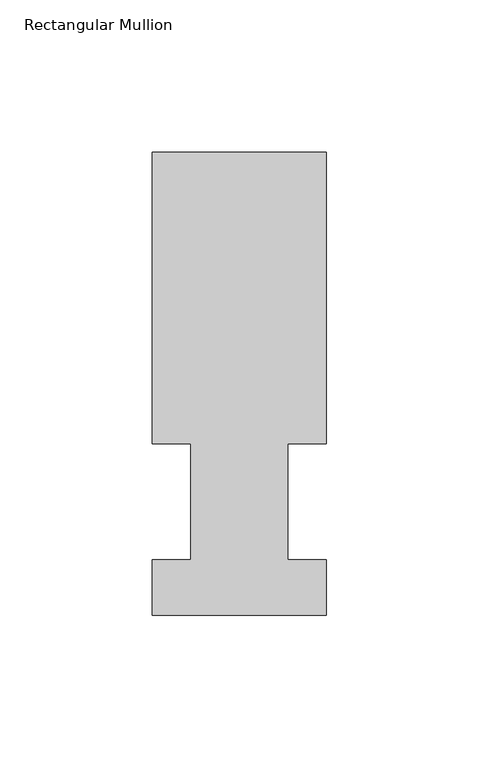
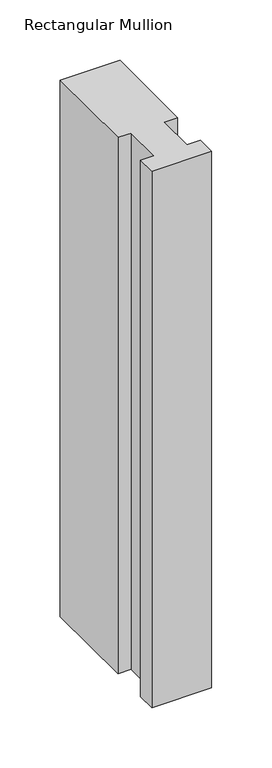
"""IFC4 building model written with IfcOpenShell, lengths in millimetres: member geometry, Rectangular Mullion."""

from ifc_helpers import new_model, si_unit, frame, origin, place, context, project, spatial, polyline, outline, extrude, source, transform, mapped, element, save


def rectangular_mullion_62a90301(model_context):
    return source(origin(), model_context, "Body", "SweptSolid", [
        extrude(outline(polyline([(0.0, 151.98725), (0.0, 56.35625), (-12.7, 56.35625), (-12.7, 18.25625), (0.0, 18.25625), (0.0, -0.03175), (-57.15, -0.03175), (-57.15, 18.25625), (-44.45, 18.25625), (-44.45, 56.35625), (-57.15, 56.35625), (-57.15, 151.98725), (0.0, 151.98725)])), frame((0.0, 0.0, -542.8996), z_axis=(0.0, 0.0, 1.0), x_axis=(1.0, 0.0, 0.0)), (0.0, 0.0, 1.0), 542.8996),
    ])


if __name__ == "__main__":
    model = new_model("IFC4")
    model_context = context("Model", 3, world=origin())
    ifc_project = project(units=[si_unit("LENGTHUNIT", "METRE", prefix="MILLI")], contexts=[model_context])
    site = spatial("IfcSite", under=ifc_project)
    building = spatial("IfcBuilding", under=site)
    placement = place(None, origin())
    rectangular_mullion_shape = rectangular_mullion_62a90301(model_context)
    element("IfcMember", 1, ObjectType="Rectangular Mullion", at=placement, inside=building, context=model_context, shape_type="MappedRepresentation", body=[
        mapped(rectangular_mullion_shape, transform((0.0, 0.0, 0.0), x_axis=(1.0, 0.0, 0.0), y_axis=(0.0, 1.0, 0.0), z_axis=(0.0, 0.0, 1.0))),
    ])
    save(model, "model.ifc")
